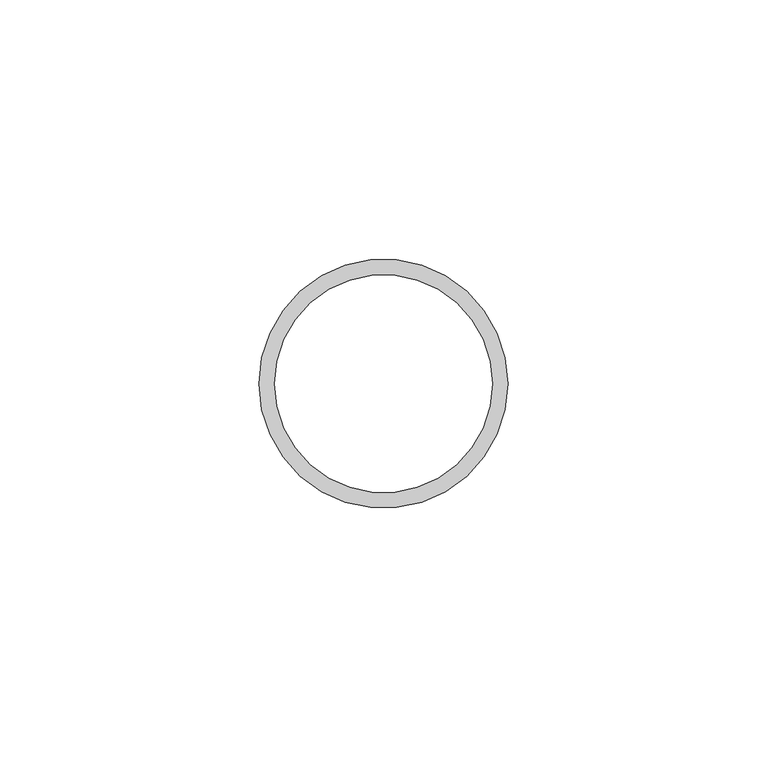
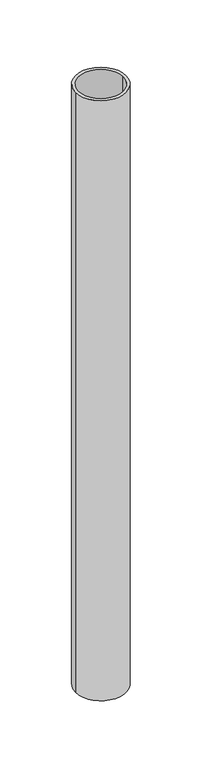
"""IFC4 building model written with IfcOpenShell, lengths in millimetres: beam geometry."""

from ifc_helpers import new_model, si_unit, point, frame, origin, origin_2d, place, context, project, spatial, circle_curve, trimmed, segment, composite_curve, outline, extrude, source, transform, mapped, element, save


def beam_00e2f111(model_context):
    return source(origin(), model_context, "Body", "SweptSolid", [
        extrude(outline(composite_curve([segment(trimmed(circle_curve(origin_2d(), 24.0), [point((24.0, 0.0))], [point((-24.0, 0.0))], False, "CARTESIAN"), True, "CONTINUOUS"), segment(trimmed(circle_curve(origin_2d(), 24.0), [point((-24.0, 0.0))], [point((24.0, 0.0))], False, "CARTESIAN"), True, "CONTINUOUS")], self_intersect=False), holes=[composite_curve([segment(trimmed(circle_curve(origin_2d(), 21.0), [point((21.0, 0.0))], [point((-21.0, 0.0))], True, "CARTESIAN"), True, "CONTINUOUS"), segment(trimmed(circle_curve(origin_2d(), 21.0), [point((-21.0, 0.0))], [point((21.0, 0.0))], True, "CARTESIAN"), True, "CONTINUOUS")], self_intersect=False)]), frame((0.0, 0.0, -600.0), z_axis=(0.0, 0.0, 1.0), x_axis=(1.0, 0.0, 0.0)), (0.0, 0.0, 1.0), 600.0),
    ])


if __name__ == "__main__":
    model = new_model("IFC4")
    model_context = context("Model", 3, world=origin())
    ifc_project = project(units=[si_unit("LENGTHUNIT", "METRE", prefix="MILLI")], contexts=[model_context])
    site = spatial("IfcSite", under=ifc_project)
    building = spatial("IfcBuilding", under=site)
    placement = place(None, origin())
    beam_shape = beam_00e2f111(model_context)
    element("IfcBeam", 1, at=placement, inside=building, context=model_context, shape_type="MappedRepresentation", body=[
        mapped(beam_shape, transform((0.0, 0.0, 0.0), x_axis=(1.0, 0.0, 0.0), y_axis=(0.0, 1.0, 0.0), z_axis=(0.0, 0.0, 1.0))),
    ])
    save(model, "model.ifc")
